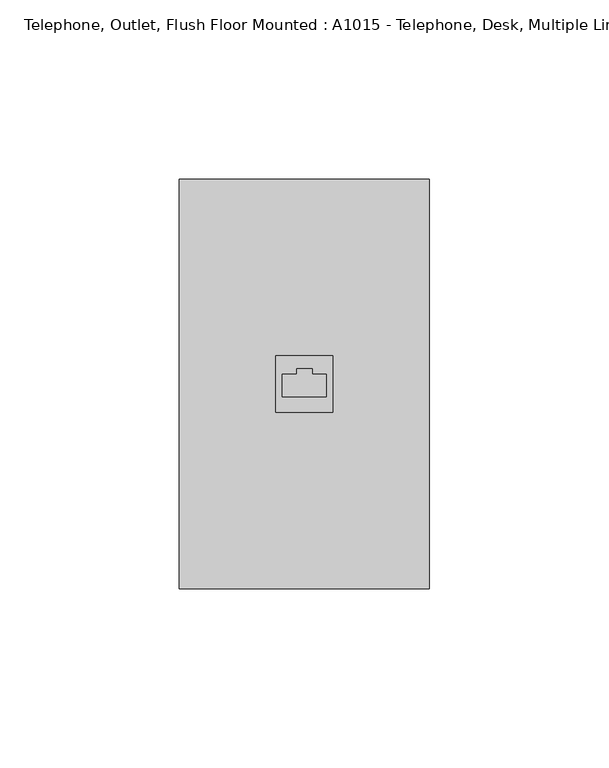
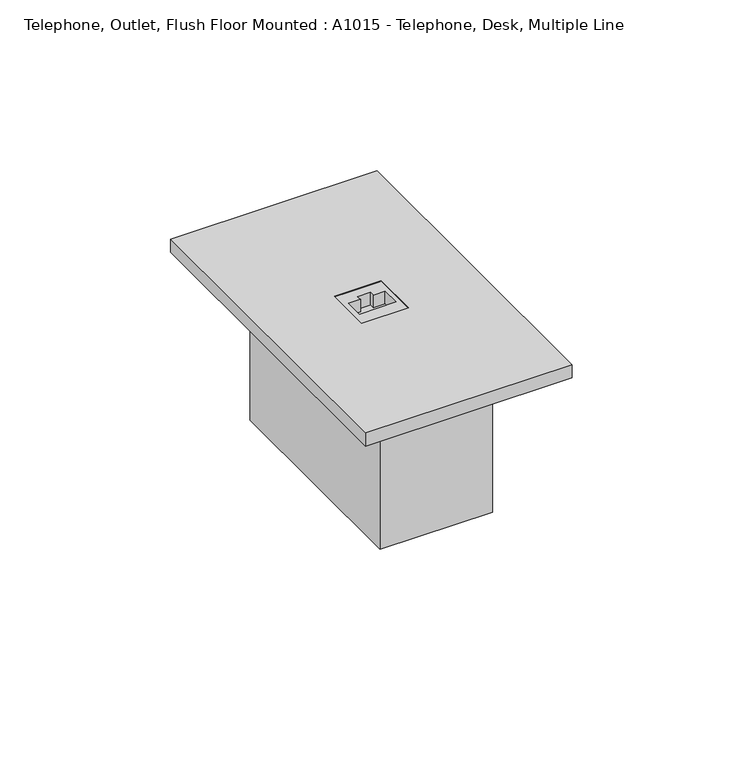
"""IFC4 building model written with IfcOpenShell, lengths in millimetres: electric appliance geometry, Telephone, Outlet, Flush Floor Mounted : A1015 - Telephone, Desk, Multiple Line."""

from ifc_helpers import new_model, si_unit, frame, origin, origin_with_axes, place, context, project, spatial, polyline, outline, extrude, source, transform, mapped, element, save


def telephone_outlet_flush_floor_mounted_a1015_telephone_desk_44f5c9f3(model_context):
    return source(origin(), model_context, "Body", "SweptSolid", [
        extrude(outline(polyline([(34.925, 57.15), (34.925, -57.15), (-34.925, -57.15), (-34.925, 57.15), (34.925, 57.15)]), holes=[polyline([(7.9375, 7.9375), (-7.9375, 7.9375), (-7.9375, -7.9375), (7.9375, -7.9375), (7.9375, 7.9375)])]), origin_with_axes(), (0.0, 0.0, 1.0), 4.7625),
        extrude(outline(polyline([(19.05, 38.1), (19.05, -38.1), (-19.05, -38.1), (-19.05, 38.1), (19.05, 38.1)])), frame((0.0, 0.0, -53.975), z_axis=(0.0, 0.0, 1.0), x_axis=(1.0, 0.0, 0.0)), (0.0, 0.0, 1.0), 53.975),
        extrude(outline(polyline([(-7.9375, 7.9375), (7.9375, 7.9375), (7.9375, -7.9375), (-7.9375, -7.9375), (-7.9375, 7.9375)]), holes=[polyline([(6.1840426, -3.6317489), (6.1840426, 2.6725887), (2.2152926, 2.6725887), (2.2152926, 4.2600887), (-2.1698748, 4.2600887), (-2.1698748, 2.6725887), (-6.1761054, 2.6725887), (-6.1761054, -3.6317489), (6.1840426, -3.6317489)])]), origin_with_axes(), (0.0, 0.0, 1.0), 4.7625),
    ])


if __name__ == "__main__":
    model = new_model("IFC4")
    model_context = context("Model", 3, world=origin())
    ifc_project = project(units=[si_unit("LENGTHUNIT", "METRE", prefix="MILLI")], contexts=[model_context])
    site = spatial("IfcSite", under=ifc_project)
    building = spatial("IfcBuilding", under=site)
    placement = place(None, origin())
    telephone_outlet_flush_floor_mounted_a1015_telephone_desk_shape = telephone_outlet_flush_floor_mounted_a1015_telephone_desk_44f5c9f3(model_context)
    element("IfcElectricAppliance", 1, ObjectType="Telephone, Outlet, Flush Floor Mounted : A1015 - Telephone, Desk, Multiple Line", at=placement, inside=building, context=model_context, shape_type="MappedRepresentation", body=[
        mapped(telephone_outlet_flush_floor_mounted_a1015_telephone_desk_shape, transform((0.0, 0.0, 0.0), x_axis=(1.0, 0.0, 0.0), y_axis=(0.0, 1.0, 0.0), z_axis=(0.0, 0.0, 1.0))),
    ])
    save(model, "model.ifc")
